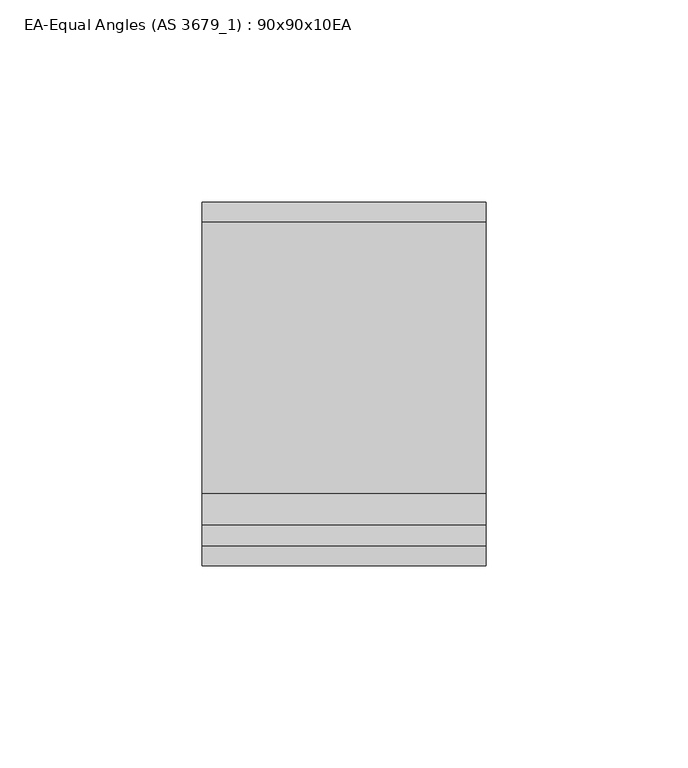
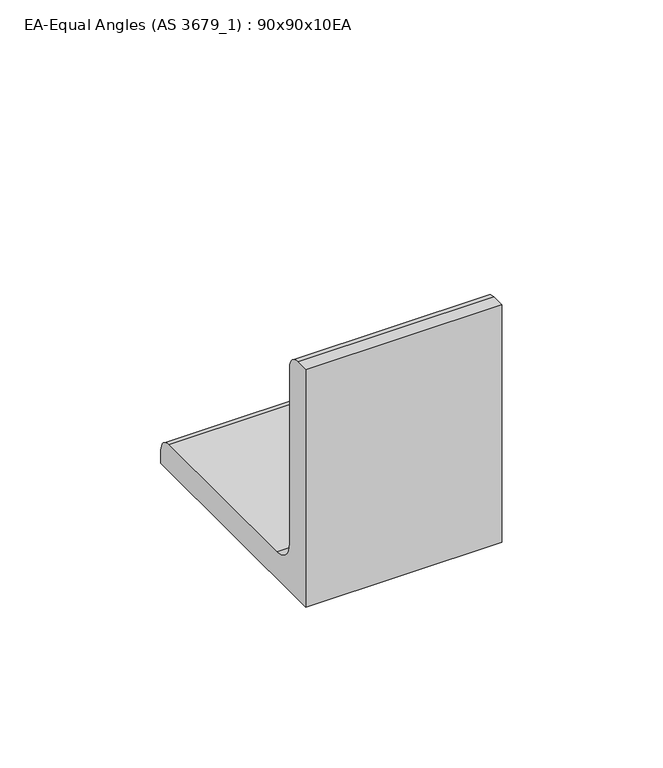
"""IFC4 building model written with IfcOpenShell, lengths in millimetres: beam geometry, EA-Equal Angles (AS 3679_1) : 90x90x10EA."""

import ifcopenshell
import ifcopenshell.guid

model = None  # the IFC model being written
_history = None  # IfcOwnerHistory: only IFC2X3 demands one
_inside = {}  # id of a spatial element -> (the spatial element, [elements in it])
_under = {}  # id of a project, library or spatial element -> (it, [spatial elements below it])
_declared = {}  # id of a project -> (the project, [libraries it declares])
_typed = {}  # id of a type object -> (the type object, [elements of that type])
_made_of = {}  # id of a material, layer set ... -> (it, [elements and type objects made of it])


def new_model(schema):
    """Start an empty IFC model of exactly this schema.

    Asked for "IFC4X3", IfcOpenShell would pick the latest addendum, in which some entities
    have other attributes; the version numbers below select the first issue.
    IFC2X3 requires an IfcOwnerHistory on every rooted entity: one is made here for all.
    """
    global model, _history
    if schema == "IFC4X3":
        model = ifcopenshell.file(schema_version=(4, 3, 0, 0))
    else:
        model = ifcopenshell.file(schema=schema)
    _inside.clear()
    _under.clear()
    _declared.clear()
    _typed.clear()
    _made_of.clear()
    _history = None
    if model.schema == "IFC2X3":
        org = make("IfcOrganization", Name="unknown")
        user = make(
            "IfcPersonAndOrganization",
            ThePerson=make("IfcPerson", FamilyName="unknown"),
            TheOrganization=org,
        )
        app = make(
            "IfcApplication",
            ApplicationDeveloper=org,
            Version="unknown",
            ApplicationFullName="unknown",
            ApplicationIdentifier="unknown",
        )
        _history = make(
            "IfcOwnerHistory",
            OwningUser=user,
            OwningApplication=app,
            ChangeAction="ADDED",
            CreationDate=0,
        )
    return model


def make(cls, **values):
    """One entity of the class cls with the attributes given. An attribute that is None is left unset."""
    return model.create_entity(
        cls, **{name: value for name, value in values.items() if value is not None}
    )


def rooted(cls, **values):
    """An entity with a GlobalId (a new one), such as an element, a storey or a relation."""
    return make(cls, GlobalId=ifcopenshell.guid.new(), OwnerHistory=_history, **values)


def si_unit(unit_type, name, prefix=None):
    """IfcSIUnit, for example si_unit("LENGTHUNIT", "METRE", prefix="MILLI")."""
    return make("IfcSIUnit", UnitType=unit_type, Prefix=prefix, Name=name)


def assignment(units):
    """IfcUnitAssignment: the units of a project."""
    return None if units is None else make("IfcUnitAssignment", Units=units)


def point(xyz):
    """IfcCartesianPoint."""
    return None if xyz is None else make("IfcCartesianPoint", Coordinates=xyz)


def direction(xyz):
    """IfcDirection."""
    return None if xyz is None else make("IfcDirection", DirectionRatios=xyz)


def frame(location, z_axis=None, x_axis=None):
    """IfcAxis2Placement3D, a coordinate frame: its origin and axes. An axis left out is left unset."""
    return make(
        "IfcAxis2Placement3D",
        Location=point(location),
        Axis=direction(z_axis),
        RefDirection=direction(x_axis),
    )


def frame_2d(location, x_axis=None):
    """IfcAxis2Placement2D, a coordinate frame in the plane: its origin and x axis."""
    return make(
        "IfcAxis2Placement2D", Location=point(location), RefDirection=direction(x_axis)
    )


def origin():
    """The frame at (0, 0, 0) with its axes left unset."""
    return frame((0.0, 0.0, 0.0))


def place(relative_to, where):
    """IfcLocalPlacement: puts the frame where relative to a parent placement (None: the world)."""
    return make(
        "IfcLocalPlacement", PlacementRelTo=relative_to, RelativePlacement=where
    )


def context(
    kind, dimensions, precision=None, world=None, true_north=None, identifier=None
):
    """IfcGeometricRepresentationContext, for example the 3D "Model" context."""
    return make(
        "IfcGeometricRepresentationContext",
        ContextIdentifier=identifier,
        ContextType=kind,
        CoordinateSpaceDimension=dimensions,
        Precision=precision,
        WorldCoordinateSystem=world,
        TrueNorth=true_north,
    )


def project(units=None, contexts=None):
    """IfcProject with its units and contexts."""
    return rooted(
        "IfcProject",
        Name="project",
        RepresentationContexts=contexts,
        UnitsInContext=assignment(units),
    )


def spatial(cls, under=None, at=None, **own):
    """A site, building, storey or space (cls), placed at a placement, below another one or the project."""
    s = rooted(cls, ObjectPlacement=at, **own)
    if under is not None:
        _under.setdefault(under.id(), (under, []))[1].append(s)
    return s


def polyline(points):
    """IfcPolyline through the points."""
    return make("IfcPolyline", Points=[point(p) for p in points])


def circle_curve(where, radius):
    """IfcCircle in the frame where."""
    return make("IfcCircle", Position=where, Radius=radius)


def trimmed(basis, trim1, trim2, sense, master):
    """IfcTrimmedCurve: the piece of a basis curve between two trims."""
    return make(
        "IfcTrimmedCurve",
        BasisCurve=basis,
        Trim1=trim1,
        Trim2=trim2,
        SenseAgreement=sense,
        MasterRepresentation=master,
    )


def segment(curve, same_sense, transition):
    """IfcCompositeCurveSegment."""
    return make(
        "IfcCompositeCurveSegment",
        Transition=transition,
        SameSense=same_sense,
        ParentCurve=curve,
    )


def composite_curve(segments, self_intersect=None):
    """IfcCompositeCurve: segments joined end to end."""
    return make("IfcCompositeCurve", Segments=segments, SelfIntersect=self_intersect)


def outline(outer, holes=None, kind="AREA"):
    """IfcArbitraryClosedProfileDef: a profile drawn as a closed curve; with holes, ...WithVoids."""
    if holes is None:
        return make("IfcArbitraryClosedProfileDef", ProfileType=kind, OuterCurve=outer)
    return make(
        "IfcArbitraryProfileDefWithVoids",
        ProfileType=kind,
        OuterCurve=outer,
        InnerCurves=holes,
    )


def extrude(swept, where, along, depth):
    """IfcExtrudedAreaSolid: the profile swept, set in the frame where, extruded along a direction by depth."""
    return make(
        "IfcExtrudedAreaSolid",
        SweptArea=swept,
        Position=where,
        ExtrudedDirection=direction(along),
        Depth=depth,
    )


def shape(context_of_items, identifier, shape_type, items):
    """IfcShapeRepresentation: the items that make up one representation, for example the "Body"."""
    return make(
        "IfcShapeRepresentation",
        ContextOfItems=context_of_items,
        RepresentationIdentifier=identifier,
        RepresentationType=shape_type,
        Items=items,
    )


def source(mapping_origin, context_of_items, identifier, shape_type, items):
    """IfcRepresentationMap: a shape defined once, which mapped items show again and again."""
    return make(
        "IfcRepresentationMap",
        MappingOrigin=mapping_origin,
        MappedRepresentation=shape(context_of_items, identifier, shape_type, items),
    )


def transform(
    local_origin,
    x_axis=None,
    y_axis=None,
    z_axis=None,
    scale=None,
    scale2=None,
    scale3=None,
    uniform=True,
):
    """IfcCartesianTransformationOperator3D, or its non-uniform kind. x_axis, y_axis, z_axis: its Axis1, 2, 3."""
    if uniform:
        return make(
            "IfcCartesianTransformationOperator3D",
            Axis1=direction(x_axis),
            Axis2=direction(y_axis),
            LocalOrigin=point(local_origin),
            Scale=scale,
            Axis3=direction(z_axis),
        )
    return make(
        "IfcCartesianTransformationOperator3DnonUniform",
        Axis1=direction(x_axis),
        Axis2=direction(y_axis),
        LocalOrigin=point(local_origin),
        Scale=scale,
        Axis3=direction(z_axis),
        Scale2=scale2,
        Scale3=scale3,
    )


def mapped(mapping_source, mapping_target):
    """IfcMappedItem: shows the shape of a source again, moved by a transform."""
    return make(
        "IfcMappedItem", MappingSource=mapping_source, MappingTarget=mapping_target
    )


def made_of(thing, what):
    """Note that an element or type object is made of a material, layer set ...; save() writes the relation."""
    if what is not None:
        _made_of.setdefault(what.id(), (what, []))[1].append(thing)
    return thing


def element(
    cls,
    number,
    at=None,
    inside=None,
    cuts=None,
    type_object=None,
    material=None,
    context=None,
    identifier="Body",
    shape_type=None,
    held_by="IfcProductDefinitionShape",
    body=None,
    shapes=None,
    **own,
):
    """One element of the class cls, such as IfcWall. Its Tag is "e" and its number.

    at: its placement. inside: the storey or other place that contains it. cuts: it is an
    opening in that element (IfcRelVoidsElement). A single representation is given by context,
    identifier, shape_type and body (its items); several are given by shapes. held_by: the class
    of the entity that holds the representations. save() writes the other relations.
    """
    e = rooted(cls, Tag="e%d" % number, ObjectPlacement=at, **own)
    if body is not None:
        shapes = [shape(context, identifier, shape_type, body)]
    if shapes is not None:
        e.Representation = make(held_by, Representations=shapes)
    if inside is not None:
        _inside.setdefault(inside.id(), (inside, []))[1].append(e)
    if cuts is not None:
        rooted(
            "IfcRelVoidsElement", RelatingBuildingElement=cuts, RelatedOpeningElement=e
        )
    if type_object is not None:
        _typed.setdefault(type_object.id(), (type_object, []))[1].append(e)
    return made_of(e, material)


def aggregate(whole, parts):
    """IfcRelAggregates: a whole, such as a stair, and the parts it consists of."""
    return rooted("IfcRelAggregates", RelatingObject=whole, RelatedObjects=parts)


def save(model, path):
    """Write the relations noted so far, then the file.

    IfcRelAggregates (storeys below a building ...), IfcRelContainedInSpatialStructure (elements
    in a storey), IfcRelDefinesByType, IfcRelAssociatesMaterial and IfcRelDeclares: one each for
    every whole, place, type object, material and project.
    """
    for whole, parts in _under.values():
        aggregate(whole, parts)
    for where, things in _inside.values():
        rooted(
            "IfcRelContainedInSpatialStructure",
            RelatedElements=things,
            RelatingStructure=where,
        )
    for kind, things in _typed.values():
        rooted("IfcRelDefinesByType", RelatedObjects=things, RelatingType=kind)
    for what, things in _made_of.values():
        rooted("IfcRelAssociatesMaterial", RelatedObjects=things, RelatingMaterial=what)
    for by, libraries in _declared.values():
        rooted("IfcRelDeclares", RelatingContext=by, RelatedDefinitions=libraries)
    model.write(path)


def ea_equal_angles_as_3679_1_90x90x10ea_a17047b7(model_context):
    return source(origin(), model_context, "Body", "SweptSolid", [
        extrude(outline(composite_curve([segment(polyline([(-25.7, -25.7), (-25.7, 64.3), (-20.7, 64.3)]), True, "CONTINUOUS"), segment(trimmed(circle_curve(frame_2d((-20.7, 59.3)), 5.0), [point((-20.7, 64.3))], [point((-15.7, 59.3))], False, "CARTESIAN"), True, "CONTINUOUS"), segment(polyline([(-15.7, 59.3), (-15.7, -7.7)]), True, "CONTINUOUS"), segment(trimmed(circle_curve(frame_2d((-7.7, -7.7)), 8.0), [point((-15.7, -7.7))], [point((-7.7, -15.7))], True, "CARTESIAN"), True, "CONTINUOUS"), segment(polyline([(-7.7, -15.7), (59.3, -15.7)]), True, "CONTINUOUS"), segment(trimmed(circle_curve(frame_2d((59.3, -20.7)), 5.0), [point((59.3, -15.7))], [point((64.3, -20.7))], False, "CARTESIAN"), True, "CONTINUOUS"), segment(polyline([(64.3, -20.7), (64.3, -25.7), (-25.7, -25.7)]), True, "CONTINUOUS")], self_intersect=False)), frame((-41.55, 0.0, 0.0), z_axis=(1.0, 0.0, 0.0), x_axis=(0.0, 1.0, 0.0)), (0.0, 0.0, 1.0), 70.3),
    ])


if __name__ == "__main__":
    model = new_model("IFC4")
    model_context = context("Model", 3, world=origin())
    ifc_project = project(units=[si_unit("LENGTHUNIT", "METRE", prefix="MILLI")], contexts=[model_context])
    site = spatial("IfcSite", under=ifc_project)
    building = spatial("IfcBuilding", under=site)
    placement = place(None, origin())
    ea_equal_angles_as_3679_1_90x90x10ea_shape = ea_equal_angles_as_3679_1_90x90x10ea_a17047b7(model_context)
    element("IfcBeam", 1, ObjectType="EA-Equal Angles (AS 3679_1) : 90x90x10EA", at=placement, inside=building, context=model_context, shape_type="MappedRepresentation", body=[
        mapped(ea_equal_angles_as_3679_1_90x90x10ea_shape, transform((0.0, 0.0, 0.0), x_axis=(1.0, 0.0, 0.0), y_axis=(0.0, 1.0, 0.0), z_axis=(0.0, 0.0, 1.0))),
    ])
    save(model, "model.ifc")
